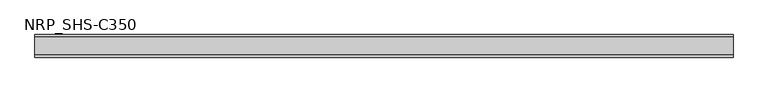
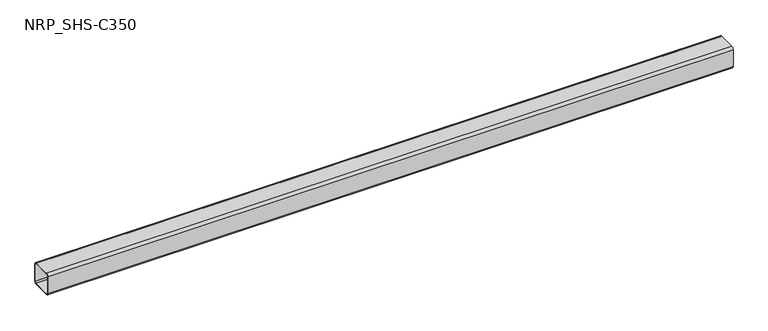
"""IFC4 building model written with IfcOpenShell, lengths in millimetres: member geometry, NRP_SHS-C350."""

from ifc_helpers import new_model, si_unit, point, frame, frame_2d, origin, place, context, project, spatial, polyline, circle_curve, trimmed, segment, composite_curve, outline, extrude, source, transform, mapped, element, save


def nrp_shs_c350_8653da7f(model_context):
    return source(origin(), model_context, "Body", "SweptSolid", [
        extrude(outline(composite_curve([segment(trimmed(circle_curve(frame_2d((-35.75, 35.75)), 8.75), [point((-44.5, 35.75))], [point((-35.75, 44.5))], False, "CARTESIAN"), True, "CONTINUOUS"), segment(polyline([(-35.75, 44.5), (35.75, 44.5)]), True, "CONTINUOUS"), segment(trimmed(circle_curve(frame_2d((35.75, 35.75)), 8.75), [point((35.75, 44.5))], [point((44.5, 35.75))], False, "CARTESIAN"), True, "CONTINUOUS"), segment(polyline([(44.5, 35.75), (44.5, -35.75)]), True, "CONTINUOUS"), segment(trimmed(circle_curve(frame_2d((35.75, -35.75)), 8.75), [point((44.5, -35.75))], [point((35.75, -44.5))], False, "CARTESIAN"), True, "CONTINUOUS"), segment(polyline([(35.75, -44.5), (-35.75, -44.5)]), True, "CONTINUOUS"), segment(trimmed(circle_curve(frame_2d((-35.75, -35.75)), 8.75), [point((-35.75, -44.5))], [point((-44.5, -35.75))], False, "CARTESIAN"), True, "CONTINUOUS"), segment(polyline([(-44.5, -35.75), (-44.5, 35.75)]), True, "CONTINUOUS")], self_intersect=False), holes=[composite_curve([segment(polyline([(35.75, 41.0), (-35.75, 41.0)]), True, "CONTINUOUS"), segment(trimmed(circle_curve(frame_2d((-35.75, 35.75)), 5.25), [point((-35.75, 41.0))], [point((-41.0, 35.75))], True, "CARTESIAN"), True, "CONTINUOUS"), segment(polyline([(-41.0, 35.75), (-41.0, -35.75)]), True, "CONTINUOUS"), segment(trimmed(circle_curve(frame_2d((-35.75, -35.75)), 5.25), [point((-41.0, -35.75))], [point((-35.75, -41.0))], True, "CARTESIAN"), True, "CONTINUOUS"), segment(polyline([(-35.75, -41.0), (35.75, -41.0)]), True, "CONTINUOUS"), segment(trimmed(circle_curve(frame_2d((35.75, -35.75)), 5.25), [point((35.75, -41.0))], [point((41.0, -35.75))], True, "CARTESIAN"), True, "CONTINUOUS"), segment(polyline([(41.0, -35.75), (41.0, 35.75)]), True, "CONTINUOUS"), segment(trimmed(circle_curve(frame_2d((35.75, 35.75)), 5.25), [point((41.0, 35.75))], [point((35.75, 41.0))], True, "CARTESIAN"), True, "CONTINUOUS")], self_intersect=False)]), frame((-1372.0, 0.0, 0.0), z_axis=(1.0, 0.0, 0.0), x_axis=(0.0, 1.0, 0.0)), (0.0, 0.0, 1.0), 2744.0),
    ])


if __name__ == "__main__":
    model = new_model("IFC4")
    model_context = context("Model", 3, world=origin())
    ifc_project = project(units=[si_unit("LENGTHUNIT", "METRE", prefix="MILLI")], contexts=[model_context])
    site = spatial("IfcSite", under=ifc_project)
    building = spatial("IfcBuilding", under=site)
    placement = place(None, origin())
    nrp_shs_c350_shape = nrp_shs_c350_8653da7f(model_context)
    element("IfcMember", 1, ObjectType="NRP_SHS-C350", at=placement, inside=building, context=model_context, shape_type="MappedRepresentation", body=[
        mapped(nrp_shs_c350_shape, transform((0.0, 0.0, 0.0), x_axis=(1.0, 0.0, 0.0), y_axis=(0.0, 1.0, 0.0), z_axis=(0.0, 0.0, 1.0))),
    ])
    save(model, "model.ifc")
